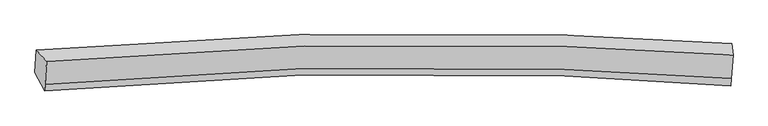
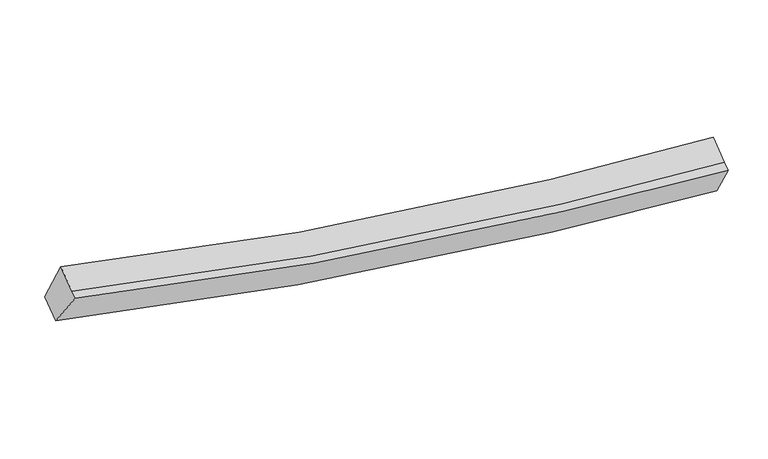
"""IFC4 building model written with IfcOpenShell, lengths in millimetres: proxy geometry."""

from ifc_helpers import new_model, si_unit, frame, origin, place, context, project, spatial, source, transform, mapped, element, save
from ifc_brep_helpers import plane_surface, spline_curve, spline_surface, advanced_brep


def generic_models_e0d463cf(model_context):
    return source(origin(), model_context, "Body", "AdvancedBrep", [
        advanced_brep(
        [(-6981.9631931, -1838.9289319, 4101.8707016), (-6798.1709083, -2044.631811, 4761.8673948), (5646.2106222, -1924.2744646, 2929.5637602), (5619.927502, -1716.4749459, 2245.5919252), (-6827.1558658, -2458.9862111, 4535.209788), (5616.3871826, -2350.6153846, 2696.3493607), (-6835.7315818, -2581.5803417, 4468.1490974), (5606.8926399, -2486.3446006, 2622.103596), (-7010.5027302, -2246.9158248, 3878.6962096), (5589.6306561, -2149.5834442, 2008.6755665)],
        [
            (0, 1),
            (1, 2, spline_curve(3, [(-6798.1709083, -2044.631811, 4761.8673948), (-3697.922410756, -1765.557047977, 3843.536598335), (-556.007239946, -1675.535300844, 3270.351530204), (3629.658371246, -1805.738258168, 2970.533127123), (4635.870377117, -1855.640890274, 2932.950317514), (5646.2106222, -1924.2744646, 2929.5637602)], [4, 2, 4], [0.0, 31.720081668954546, 41.70448931708386])),
            (2, 3),
            (3, 0, spline_curve(3, [(5619.927502, -1716.4749459, 2245.5919252), (4603.043117039, -1647.434859745, 2249.072198827), (3588.844407338, -1597.263095147, 2287.184345266), (-636.206898542, -1466.509812333, 2591.033332933), (-3822.638419282, -1557.499571354, 3171.68077847), (-6981.9631931, -1838.9289319, 4101.8707016)], [4, 2, 4], [0.0, 9.984407648129316, 41.70448931708386])),
            (1, 4),
            (4, 5, spline_curve(3, [(-6827.1558658, -2458.9862111, 4535.209788), (-3726.120142281, -2168.65765314, 3623.03497285), (-584.178189651, -2078.253051147, 3050.059331914), (3600.522826014, -2222.245386571, 2742.697948372), (4606.428556361, -2276.526380672, 2702.720113732), (5616.3871826, -2350.6153846, 2696.3493607)], [4, 2, 4], [0.0, 31.521272726159797, 41.443102050889046])),
            (5, 2),
            (4, 6),
            (6, 7, spline_curve(3, [(-6835.7315818, -2581.5803417, 4468.1490974), (-3733.955783114, -2280.672040255, 3561.761549059), (-592.013830398, -2190.267438394, 2988.785907979), (3591.714159384, -2348.169662143, 2673.815622054), (4597.313614191, -2406.829017845, 2631.442762704), (5606.8926399, -2486.3446006, 2622.103596)], [4, 2, 4], [0.0, 31.52154659777478, 41.443462128014964])),
            (7, 5),
            (6, 8),
            (8, 9, spline_curve(3, [(-7010.5027302, -2246.9158248, 3878.6962096), (-3849.650655289, -1943.652926214, 2960.449534756), (-663.192352214, -1852.280311089, 2380.011516487), (3559.921331756, -2010.732861634, 2061.010645478), (4573.507490443, -2069.661349506, 2018.108450043), (5589.6306561, -2149.5834442, 2008.6755665)], [4, 2, 4], [0.0, 31.72062535131602, 41.70520413224331])),
            (9, 7),
            (8, 0),
            (3, 9),
        ],
        [
            spline_surface(3, 3, [[(-6981.9631931, -1838.9289319, 4101.8707016), (-3822.638419741, -1557.499571619, 3171.680778793), (-636.206898024, -1466.509811912, 2591.033332964), (3588.844407175, -1597.263095279, 2287.184345256), (4603.043117137, -1647.434859618, 2249.072198968), (5619.927502, -1716.4749459, 2245.5919252)], [(-6920.699098167, -1907.496558286, 4321.869599311), (-3781.066416891, -1626.852063797, 3395.632718533), (-609.473678764, -1536.184974815, 2817.472731888), (3602.449061891, -1666.754816302, 2514.967272594), (4613.985537159, -1716.836869868, 2477.031571766), (5628.68854208, -1785.741452142, 2473.582536849)], [(-6859.435003233, -1976.064184614, 4541.868497089), (-3739.49441404, -1696.204555915, 3619.584658338), (-582.740459491, -1605.860137634, 3043.912130813), (3616.053716619, -1736.246537242, 2742.750199932), (4624.927957142, -1786.238880091, 2704.990944617), (5637.44958212, -1855.007958358, 2701.573148551)], [(-6798.1709083, -2044.631811, 4761.8673948), (-3697.92241119, -1765.557048093, 3843.536598077), (-556.007240231, -1675.535300537, 3270.351529738), (3629.658371335, -1805.738258264, 2970.53312727), (4635.870377164, -1855.64089034, 2932.950317416), (5646.2106222, -1924.2744646, 2929.5637602)]], [4, 4], [4, 2, 4], [0.0, 2.3433848456389343], [0.0, 31.720081668954546, 41.70448931708386]),
            spline_surface(3, 3, [[(-6798.1709083, -2044.631811, 4761.8673948), (-3697.92241119, -1765.557048093, 3843.536598077), (-556.007240231, -1675.535300537, 3270.351529738), (3629.658371335, -1805.738258264, 2970.53312727), (4635.870377164, -1855.64089034, 2932.950317416), (5646.2106222, -1924.2744646, 2929.5637602)], [(-6807.832560787, -2182.749944355, 4686.314859216), (-3707.321654843, -1899.923916502, 3770.036056474), (-565.397556711, -1809.774550554, 3196.920797166), (3619.946522897, -1944.573967733, 2894.588067594), (4626.056436868, -1995.936053745, 2856.206916184), (5636.269475662, -2066.388104589, 2851.825627043)], [(-6817.494213313, -2320.868077745, 4610.762323584), (-3716.720898535, -2034.290784945, 3696.535514824), (-574.787873192, -1944.01380063, 3123.490064667), (3610.234674458, -2083.40967726, 2818.64300799), (4616.242496587, -2136.231217184, 2779.463514925), (5626.328329138, -2208.501744611, 2774.087493857)], [(-6827.1558658, -2458.9862111, 4535.209788), (-3726.120142188, -2168.657653354, 3623.034973221), (-584.178189671, -2078.253050647, 3050.059332095), (3600.52282602, -2222.245386729, 2742.697948315), (4606.428556292, -2276.526380589, 2702.720113693), (5616.3871826, -2350.6153846, 2696.3493607)]], [4, 4], [4, 2, 4], [0.0, 1.5220923041977608], [0.0, 31.521272726159797, 41.443102050889046]),
            spline_surface(3, 3, [[(-6827.1558658, -2458.9862111, 4535.209788), (-3726.120142188, -2168.657653354, 3623.034973221), (-584.178189671, -2078.253050647, 3050.059332095), (3600.52282602, -2222.245386729, 2742.697948315), (4606.428556292, -2276.526380589, 2702.720113693), (5616.3871826, -2350.6153846, 2696.3493607)], [(-6830.014437802, -2499.850921307, 4512.856224445), (-3728.732022463, -2205.995782475, 3602.610498458), (-586.790069946, -2115.591179768, 3029.634857332), (3597.586603816, -2264.220145249, 2719.737172928), (4603.39024223, -2319.960593046, 2678.960996752), (5613.222335026, -2395.858456615, 2671.600772479)], [(-6832.873009798, -2540.715631493, 4490.502660955), (-3731.343902731, -2243.333911575, 3582.186023759), (-589.401950214, -2152.929308868, 3009.210382533), (3594.650381617, -2306.194903749, 2696.776397506), (4600.351928189, -2363.394805458, 2655.201879774), (5610.057487474, -2441.101528585, 2646.852184221)], [(-6835.7315818, -2581.5803417, 4468.1490974), (-3733.955783006, -2280.672040696, 3561.761548996), (-592.013830489, -2190.267437989, 2988.78590777), (3591.714159412, -2348.16966227, 2673.81562212), (4597.313614127, -2406.829017915, 2631.442762832), (5606.8926399, -2486.3446006, 2622.103596)]], [4, 4], [4, 2, 4], [0.0, 0.4325340986197817], [0.0, 31.52154659777478, 41.443462128014964]),
            spline_surface(3, 3, [[(-6835.7315818, -2581.5803417, 4468.1490974), (-3733.955783006, -2280.672040696, 3561.761548996), (-592.013830489, -2190.267437989, 2988.78590777), (3591.714159412, -2348.16966227, 2673.81562212), (4597.313614127, -2406.829017915, 2631.442762832), (5606.8926399, -2486.3446006, 2622.103596)], [(-6893.988631248, -2470.025502734, 4271.664801495), (-3772.520740371, -2168.332335938, 3361.324211063), (-615.740004264, -2077.605062506, 2785.861110652), (3581.116550181, -2235.690728667, 2469.547296589), (4589.378239591, -2294.439795085, 2426.99799184), (5601.138645306, -2374.090881778, 2417.627586157)], [(-6952.245680752, -2358.470663766, 4075.180505505), (-3811.085697792, -2055.992631179, 3160.886873045), (-639.466178106, -1964.942687047, 2582.936313514), (3570.518940883, -2123.211795087, 2265.278971038), (4581.442865037, -2182.050572322, 2222.553220876), (5595.384650694, -2261.837163022, 2213.151576343)], [(-7010.5027302, -2246.9158248, 3878.6962096), (-3849.650655157, -1943.652926422, 2960.449535112), (-663.192351881, -1852.280311564, 2380.011516396), (3559.921331652, -2010.732861485, 2061.010645507), (4573.5074905, -2069.661349492, 2018.108449884), (5589.6306561, -2149.5834442, 2008.6755665)]], [4, 4], [4, 2, 4], [0.0, 2.2930318388451765], [0.0, 31.72062535131602, 41.70520413224331]),
            spline_surface(3, 3, [[(-7010.5027302, -2246.9158248, 3878.6962096), (-3849.650655157, -1943.652926422, 2960.449535112), (-663.192351881, -1852.280311564, 2380.011516396), (3559.921331652, -2010.732861485, 2061.010645507), (4573.5074905, -2069.661349492, 2018.108449884), (5589.6306561, -2149.5834442, 2008.6755665)], [(-7000.989551196, -2110.920193818, 3953.087706933), (-3840.646576714, -1814.935141472, 3030.859949672), (-654.197200612, -1723.690145006, 2450.352121925), (3569.562356809, -1872.909606075, 2136.401878762), (4583.352699373, -1928.919186211, 2095.096366251), (5599.729604727, -2005.213944776, 2087.647686072)], [(-6991.476372104, -1974.924562882, 4027.479204267), (-3831.642498183, -1686.217356569, 3101.270364234), (-645.202049293, -1595.099978471, 2520.692727436), (3579.203382017, -1735.086350689, 2211.793112001), (4593.197908265, -1788.1770229, 2172.084282601), (5609.828553373, -1860.844445324, 2166.619805628)], [(-6981.9631931, -1838.9289319, 4101.8707016), (-3822.638419741, -1557.499571619, 3171.680778793), (-636.206898024, -1466.509811912, 2591.033332964), (3588.844407175, -1597.263095279, 2287.184345256), (4603.043117137, -1647.434859618, 2249.072198968), (5619.927502, -1716.4749459, 2245.5919252)]], [4, 4], [4, 2, 4], [0.0, 1.4714519821241006], [0.0, 31.919045940489916, 41.96608080424732]),
            plane_surface(frame((5615.665355, -2069.1693638, 2451.483712), z_axis=(0.9978174665291866, -0.041867183846554634, -0.05106312178113221), x_axis=(-0.024659976832836616, 0.48108736638083627, -0.8763257564692226))),
            plane_surface(frame((-6906.5921034, -2178.0142273, 4302.6458509), z_axis=(-0.9663907954615275, -0.06801319746837411, 0.24791739635887633), x_axis=(-0.06125511433241769, -0.8756723615745321, -0.4790049333176062))),
        ],
        [
            (0, [[1, 2, 3, 4]]),
            (1, [[5, 6, 7, -2]]),
            (2, [[8, 9, 10, -6]]),
            (3, [[11, 12, 13, -9]]),
            (4, [[14, -4, 15, -12]]),
            (5, [[-13, -15, -3, -7, -10]]),
            (6, [[-14, -11, -8, -5, -1]]),
        ],
    ),
    ])


if __name__ == "__main__":
    model = new_model("IFC4")
    model_context = context("Model", 3, world=origin())
    ifc_project = project(units=[si_unit("LENGTHUNIT", "METRE", prefix="MILLI")], contexts=[model_context])
    site = spatial("IfcSite", under=ifc_project)
    building = spatial("IfcBuilding", under=site)
    placement = place(None, origin())
    generic_models_shape = generic_models_e0d463cf(model_context)
    element("IfcBuildingElementProxy", 1, Name="Generic Models", at=placement, inside=building, context=model_context, shape_type="MappedRepresentation", body=[
        mapped(generic_models_shape, transform((0.0, 0.0, 0.0), x_axis=(1.0, 0.0, 0.0), y_axis=(0.0, 1.0, 0.0), z_axis=(0.0, 0.0, 1.0))),
    ])
    save(model, "model.ifc")
